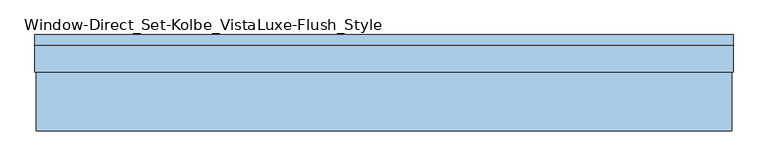
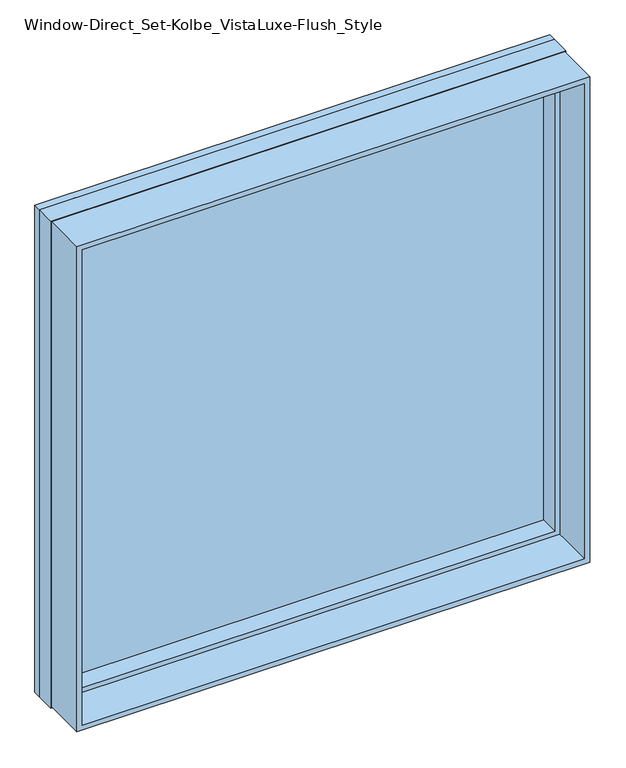
"""IFC4 building model written with IfcOpenShell, lengths in millimetres: window geometry, Window-Direct_Set-Kolbe_VistaLuxe-Flush_Style."""

import ifcopenshell
import ifcopenshell.guid

model = None  # the IFC model being written
_history = None  # IfcOwnerHistory: only IFC2X3 demands one
_inside = {}  # id of a spatial element -> (the spatial element, [elements in it])
_under = {}  # id of a project, library or spatial element -> (it, [spatial elements below it])
_declared = {}  # id of a project -> (the project, [libraries it declares])
_typed = {}  # id of a type object -> (the type object, [elements of that type])
_made_of = {}  # id of a material, layer set ... -> (it, [elements and type objects made of it])


def new_model(schema):
    """Start an empty IFC model of exactly this schema.

    Asked for "IFC4X3", IfcOpenShell would pick the latest addendum, in which some entities
    have other attributes; the version numbers below select the first issue.
    IFC2X3 requires an IfcOwnerHistory on every rooted entity: one is made here for all.
    """
    global model, _history
    if schema == "IFC4X3":
        model = ifcopenshell.file(schema_version=(4, 3, 0, 0))
    else:
        model = ifcopenshell.file(schema=schema)
    _inside.clear()
    _under.clear()
    _declared.clear()
    _typed.clear()
    _made_of.clear()
    _history = None
    if model.schema == "IFC2X3":
        org = make("IfcOrganization", Name="unknown")
        user = make(
            "IfcPersonAndOrganization",
            ThePerson=make("IfcPerson", FamilyName="unknown"),
            TheOrganization=org,
        )
        app = make(
            "IfcApplication",
            ApplicationDeveloper=org,
            Version="unknown",
            ApplicationFullName="unknown",
            ApplicationIdentifier="unknown",
        )
        _history = make(
            "IfcOwnerHistory",
            OwningUser=user,
            OwningApplication=app,
            ChangeAction="ADDED",
            CreationDate=0,
        )
    return model


def make(cls, **values):
    """One entity of the class cls with the attributes given. An attribute that is None is left unset."""
    return model.create_entity(
        cls, **{name: value for name, value in values.items() if value is not None}
    )


def rooted(cls, **values):
    """An entity with a GlobalId (a new one), such as an element, a storey or a relation."""
    return make(cls, GlobalId=ifcopenshell.guid.new(), OwnerHistory=_history, **values)


def si_unit(unit_type, name, prefix=None):
    """IfcSIUnit, for example si_unit("LENGTHUNIT", "METRE", prefix="MILLI")."""
    return make("IfcSIUnit", UnitType=unit_type, Prefix=prefix, Name=name)


def assignment(units):
    """IfcUnitAssignment: the units of a project."""
    return None if units is None else make("IfcUnitAssignment", Units=units)


def point(xyz):
    """IfcCartesianPoint."""
    return None if xyz is None else make("IfcCartesianPoint", Coordinates=xyz)


def direction(xyz):
    """IfcDirection."""
    return None if xyz is None else make("IfcDirection", DirectionRatios=xyz)


def frame(location, z_axis=None, x_axis=None):
    """IfcAxis2Placement3D, a coordinate frame: its origin and axes. An axis left out is left unset."""
    return make(
        "IfcAxis2Placement3D",
        Location=point(location),
        Axis=direction(z_axis),
        RefDirection=direction(x_axis),
    )


def origin():
    """The frame at (0, 0, 0) with its axes left unset."""
    return frame((0.0, 0.0, 0.0))


def place(relative_to, where):
    """IfcLocalPlacement: puts the frame where relative to a parent placement (None: the world)."""
    return make(
        "IfcLocalPlacement", PlacementRelTo=relative_to, RelativePlacement=where
    )


def context(
    kind, dimensions, precision=None, world=None, true_north=None, identifier=None
):
    """IfcGeometricRepresentationContext, for example the 3D "Model" context."""
    return make(
        "IfcGeometricRepresentationContext",
        ContextIdentifier=identifier,
        ContextType=kind,
        CoordinateSpaceDimension=dimensions,
        Precision=precision,
        WorldCoordinateSystem=world,
        TrueNorth=true_north,
    )


def project(units=None, contexts=None):
    """IfcProject with its units and contexts."""
    return rooted(
        "IfcProject",
        Name="project",
        RepresentationContexts=contexts,
        UnitsInContext=assignment(units),
    )


def spatial(cls, under=None, at=None, **own):
    """A site, building, storey or space (cls), placed at a placement, below another one or the project."""
    s = rooted(cls, ObjectPlacement=at, **own)
    if under is not None:
        _under.setdefault(under.id(), (under, []))[1].append(s)
    return s


def polyline(points):
    """IfcPolyline through the points."""
    return make("IfcPolyline", Points=[point(p) for p in points])


def outline(outer, holes=None, kind="AREA"):
    """IfcArbitraryClosedProfileDef: a profile drawn as a closed curve; with holes, ...WithVoids."""
    if holes is None:
        return make("IfcArbitraryClosedProfileDef", ProfileType=kind, OuterCurve=outer)
    return make(
        "IfcArbitraryProfileDefWithVoids",
        ProfileType=kind,
        OuterCurve=outer,
        InnerCurves=holes,
    )


def extrude(swept, where, along, depth):
    """IfcExtrudedAreaSolid: the profile swept, set in the frame where, extruded along a direction by depth."""
    return make(
        "IfcExtrudedAreaSolid",
        SweptArea=swept,
        Position=where,
        ExtrudedDirection=direction(along),
        Depth=depth,
    )


def faces_of(points, faces, orient=None, outer=None):
    """IfcFace entities. A face is a list of loops; a loop is a list of indices into points, from 0.

    orient and outer hold one flag for each loop. By default every Orientation is true, the
    first loop of a face is its IfcFaceOuterBound and the others are IfcFaceBound.
    """
    made = []
    for i, loops in enumerate(faces):
        bounds = []
        for j, loop in enumerate(loops):
            is_outer = j == 0 if outer is None else outer[i][j]
            bounds.append(
                make(
                    "IfcFaceOuterBound" if is_outer else "IfcFaceBound",
                    Bound=make("IfcPolyLoop", Polygon=[points[k] for k in loop]),
                    Orientation=True if orient is None else orient[i][j],
                )
            )
        made.append(make("IfcFace", Bounds=bounds))
    return made


def faceted_brep(points, faces, orient=None, outer=None, voids=None):
    """IfcFacetedBrep: a solid bounded by flat faces; with voids (closed shells), ...WithVoids."""
    shared = [point(p) for p in points]
    hull = make("IfcClosedShell", CfsFaces=faces_of(shared, faces, orient, outer))
    if voids is None:
        return make("IfcFacetedBrep", Outer=hull)
    return make(
        "IfcFacetedBrepWithVoids",
        Outer=hull,
        Voids=[
            make(cls, CfsFaces=faces_of(shared, fs, o, b)) for cls, fs, o, b in voids
        ],
    )


def shape(context_of_items, identifier, shape_type, items):
    """IfcShapeRepresentation: the items that make up one representation, for example the "Body"."""
    return make(
        "IfcShapeRepresentation",
        ContextOfItems=context_of_items,
        RepresentationIdentifier=identifier,
        RepresentationType=shape_type,
        Items=items,
    )


def source(mapping_origin, context_of_items, identifier, shape_type, items):
    """IfcRepresentationMap: a shape defined once, which mapped items show again and again."""
    return make(
        "IfcRepresentationMap",
        MappingOrigin=mapping_origin,
        MappedRepresentation=shape(context_of_items, identifier, shape_type, items),
    )


def transform(
    local_origin,
    x_axis=None,
    y_axis=None,
    z_axis=None,
    scale=None,
    scale2=None,
    scale3=None,
    uniform=True,
):
    """IfcCartesianTransformationOperator3D, or its non-uniform kind. x_axis, y_axis, z_axis: its Axis1, 2, 3."""
    if uniform:
        return make(
            "IfcCartesianTransformationOperator3D",
            Axis1=direction(x_axis),
            Axis2=direction(y_axis),
            LocalOrigin=point(local_origin),
            Scale=scale,
            Axis3=direction(z_axis),
        )
    return make(
        "IfcCartesianTransformationOperator3DnonUniform",
        Axis1=direction(x_axis),
        Axis2=direction(y_axis),
        LocalOrigin=point(local_origin),
        Scale=scale,
        Axis3=direction(z_axis),
        Scale2=scale2,
        Scale3=scale3,
    )


def mapped(mapping_source, mapping_target):
    """IfcMappedItem: shows the shape of a source again, moved by a transform."""
    return make(
        "IfcMappedItem", MappingSource=mapping_source, MappingTarget=mapping_target
    )


def made_of(thing, what):
    """Note that an element or type object is made of a material, layer set ...; save() writes the relation."""
    if what is not None:
        _made_of.setdefault(what.id(), (what, []))[1].append(thing)
    return thing


def element(
    cls,
    number,
    at=None,
    inside=None,
    cuts=None,
    type_object=None,
    material=None,
    context=None,
    identifier="Body",
    shape_type=None,
    held_by="IfcProductDefinitionShape",
    body=None,
    shapes=None,
    **own,
):
    """One element of the class cls, such as IfcWall. Its Tag is "e" and its number.

    at: its placement. inside: the storey or other place that contains it. cuts: it is an
    opening in that element (IfcRelVoidsElement). A single representation is given by context,
    identifier, shape_type and body (its items); several are given by shapes. held_by: the class
    of the entity that holds the representations. save() writes the other relations.
    """
    e = rooted(cls, Tag="e%d" % number, ObjectPlacement=at, **own)
    if body is not None:
        shapes = [shape(context, identifier, shape_type, body)]
    if shapes is not None:
        e.Representation = make(held_by, Representations=shapes)
    if inside is not None:
        _inside.setdefault(inside.id(), (inside, []))[1].append(e)
    if cuts is not None:
        rooted(
            "IfcRelVoidsElement", RelatingBuildingElement=cuts, RelatedOpeningElement=e
        )
    if type_object is not None:
        _typed.setdefault(type_object.id(), (type_object, []))[1].append(e)
    return made_of(e, material)


def aggregate(whole, parts):
    """IfcRelAggregates: a whole, such as a stair, and the parts it consists of."""
    return rooted("IfcRelAggregates", RelatingObject=whole, RelatedObjects=parts)


def save(model, path):
    """Write the relations noted so far, then the file.

    IfcRelAggregates (storeys below a building ...), IfcRelContainedInSpatialStructure (elements
    in a storey), IfcRelDefinesByType, IfcRelAssociatesMaterial and IfcRelDeclares: one each for
    every whole, place, type object, material and project.
    """
    for whole, parts in _under.values():
        aggregate(whole, parts)
    for where, things in _inside.values():
        rooted(
            "IfcRelContainedInSpatialStructure",
            RelatedElements=things,
            RelatingStructure=where,
        )
    for kind, things in _typed.values():
        rooted("IfcRelDefinesByType", RelatedObjects=things, RelatingType=kind)
    for what, things in _made_of.values():
        rooted("IfcRelAssociatesMaterial", RelatedObjects=things, RelatingMaterial=what)
    for by, libraries in _declared.values():
        rooted("IfcRelDeclares", RelatingContext=by, RelatedDefinitions=libraries)
    model.write(path)


def window_direct_set_kolbe_vistaluxe_flush_style_38c7746a(model_context):
    return source(origin(), model_context, "Body", "SolidModel", [
        extrude(outline(polyline([(2740.025, -917.4003758), (917.575, -917.4003758), (917.575, 905.0496242), (2740.025, 905.0496242), (2740.025, -917.4003758)]), holes=[polyline([(936.625, -898.3503758), (2720.975, -898.3503758), (2720.975, 885.9996242), (936.625, 885.9996242), (936.625, -898.3503758)])]), frame((0.0, -112.7125, 0.0), z_axis=(0.0, 1.0, 0.0), x_axis=(0.0, 0.0, 1.0)), (0.0, 0.0, 1.0), 154.7622),
        extrude(outline(polyline([(936.625, -898.3503758), (936.625, 885.9996242), (2720.975, 885.9996242), (2720.975, -898.3503758), (936.625, -898.3503758)]), holes=[polyline([(954.0875, 868.5371242), (954.0875, -880.8878758), (2703.5125, -880.8878758), (2703.5125, 868.5371242), (954.0875, 868.5371242)])]), frame((0.0, 38.85565, 0.0), z_axis=(0.0, 1.0, 0.0), x_axis=(0.0, 0.0, 1.0)), (0.0, 0.0, 1.0), 69.8246),
        faceted_brep([(908.2246242, 139.6365, 2743.2), (-920.5753758, 139.6365, 2743.2), (-920.5753758, 112.7125, 2743.2), (908.2246242, 112.7125, 2743.2), (868.5373659, 130.90525, 2703.5127418), (-880.8881176, 130.90525, 2703.5127418), (-880.8881176, 139.6365, 2703.5127418), (868.5373659, 139.6365, 2703.5127418), (885.9996242, 112.7125, 2720.975), (-898.3503758, 112.7125, 2720.975), (-898.3503758, 130.90525, 2720.975), (885.9996242, 130.90525, 2720.975), (-920.5753758, 139.6365, 914.4), (-920.5753758, 112.7125, 914.4), (-880.8881176, 130.90525, 954.0872582), (-880.8881176, 139.6365, 954.0872582), (-898.3503758, 112.7125, 936.625), (-898.3503758, 130.90525, 936.625), (908.2246242, 139.6365, 914.4), (908.2246242, 112.7125, 914.4), (868.5373659, 130.90525, 954.0872582), (868.5373659, 139.6365, 954.0872582), (885.9996242, 112.7125, 936.625), (885.9996242, 130.90525, 936.625)], [[[0, 1, 2, 3]], [[4, 5, 6, 7]], [[8, 9, 10, 11]], [[1, 12, 13, 2]], [[5, 14, 15, 6]], [[9, 16, 17, 10]], [[12, 18, 19, 13]], [[14, 20, 21, 15]], [[16, 22, 23, 17]], [[18, 0, 3, 19]], [[1, 0, 18, 12], [7, 6, 15, 21]], [[20, 4, 7, 21]], [[11, 10, 17, 23], [5, 4, 20, 14]], [[22, 8, 11, 23]], [[3, 2, 13, 19], [9, 8, 22, 16]]]),
        extrude(outline(polyline([(914.4, -920.5753758), (914.4, 908.2246242), (2743.2, 908.2246242), (2743.2, -920.5753758), (914.4, -920.5753758)]), holes=[polyline([(936.625, 885.9996242), (936.625, -898.3503758), (2720.975, -898.3503758), (2720.975, 885.9996242), (936.625, 885.9996242)])]), frame((0.0, 42.0497, 0.0), z_axis=(0.0, 1.0, 0.0), x_axis=(0.0, 0.0, 1.0)), (0.0, 0.0, 1.0), 70.6628),
        extrude(outline(polyline([(883.6183742, 111.85525), (883.6183742, 108.68025), (-895.9691258, 108.68025), (-895.9691258, 111.85525), (883.6183742, 111.85525)])), frame((0.0, 0.0, 946.15), z_axis=(0.0, 0.0, 1.0), x_axis=(1.0, 0.0, 0.0)), (0.0, 0.0, 1.0), 1765.3),
        extrude(outline(polyline([(883.6183742, 127.73025), (-895.9691258, 127.73025), (-895.9691258, 130.90525), (883.6183742, 130.90525), (883.6183742, 127.73025)])), frame((0.0, 0.0, 946.15), z_axis=(0.0, 0.0, 1.0), x_axis=(1.0, 0.0, 0.0)), (0.0, 0.0, 1.0), 1765.3),
    ])


if __name__ == "__main__":
    model = new_model("IFC4")
    model_context = context("Model", 3, world=origin())
    ifc_project = project(units=[si_unit("LENGTHUNIT", "METRE", prefix="MILLI")], contexts=[model_context])
    site = spatial("IfcSite", under=ifc_project)
    building = spatial("IfcBuilding", under=site)
    placement = place(None, origin())
    window_direct_set_kolbe_vistaluxe_flush_style_shape = window_direct_set_kolbe_vistaluxe_flush_style_38c7746a(model_context)
    element("IfcWindow", 1, ObjectType="Window-Direct_Set-Kolbe_VistaLuxe-Flush_Style", at=placement, inside=building, context=model_context, shape_type="MappedRepresentation", body=[
        mapped(window_direct_set_kolbe_vistaluxe_flush_style_shape, transform((0.0, 0.0, 0.0), x_axis=(1.0, 0.0, 0.0), y_axis=(0.0, 1.0, 0.0), z_axis=(0.0, 0.0, 1.0))),
    ])
    save(model, "model.ifc")
